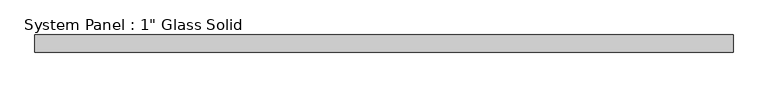
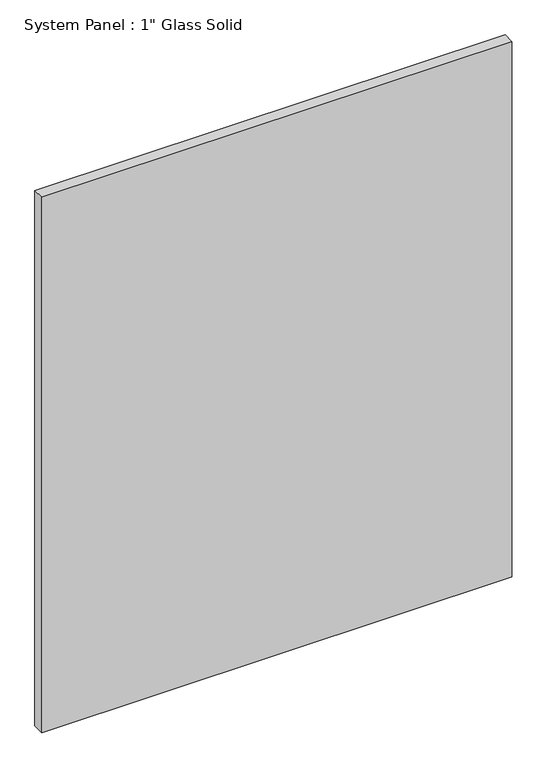
"""IFC4 building model written with IfcOpenShell, lengths in millimetres: plate geometry."""

from ifc_helpers import new_model, si_unit, origin, origin_with_axes, place, context, project, spatial, polyline, outline, extrude, source, transform, mapped, element, save


def plate_7cb3dcc1(model_context):
    return source(origin(), model_context, "Body", "SweptSolid", [
        extrude(outline(polyline([(504.825, -12.7), (-504.825, -12.7), (-504.825, 12.7), (504.825, 12.7), (504.825, -12.7)])), origin_with_axes(), (0.0, 0.0, 1.0), 1216.025),
    ])


if __name__ == "__main__":
    model = new_model("IFC4")
    model_context = context("Model", 3, world=origin())
    ifc_project = project(units=[si_unit("LENGTHUNIT", "METRE", prefix="MILLI")], contexts=[model_context])
    site = spatial("IfcSite", under=ifc_project)
    building = spatial("IfcBuilding", under=site)
    placement = place(None, origin())
    plate_shape = plate_7cb3dcc1(model_context)
    element("IfcPlate", 1, ObjectType="System Panel : 1\" Glass Solid", at=placement, inside=building, context=model_context, shape_type="MappedRepresentation", body=[
        mapped(plate_shape, transform((0.0, 0.0, 0.0), x_axis=(1.0, 0.0, 0.0), y_axis=(0.0, 1.0, 0.0), z_axis=(0.0, 0.0, 1.0))),
    ])
    save(model, "model.ifc")
